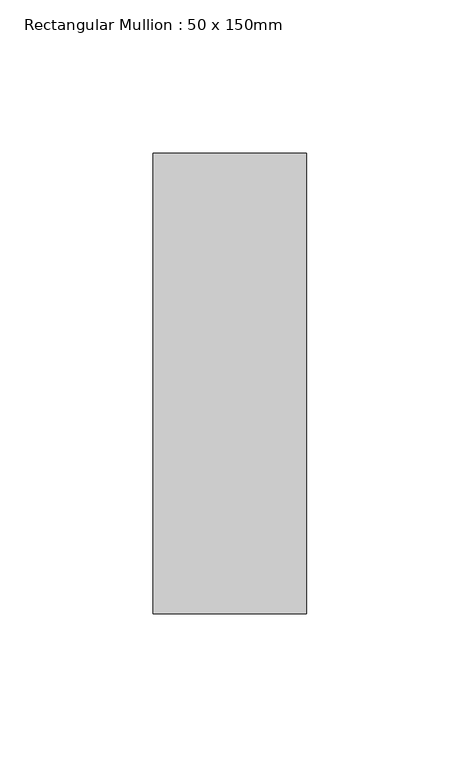
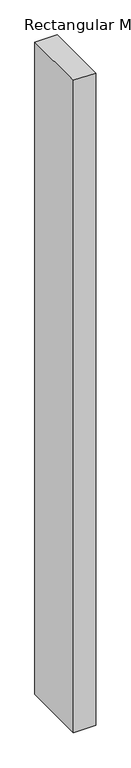
"""IFC4 building model written with IfcOpenShell, lengths in millimetres: member geometry, Rectangular Mullion : 50 x 150mm."""

from ifc_helpers import new_model, si_unit, frame, origin, place, context, project, spatial, polyline, outline, extrude, source, transform, mapped, element, save


def rectangular_mullion_50_x_150mm_02c44eea(model_context):
    return source(origin(), model_context, "Body", "SweptSolid", [
        extrude(outline(polyline([(0.0, 75.0), (0.0, -75.0), (-50.0, -75.0), (-50.0, 75.0), (0.0, 75.0)])), frame((0.0, 0.0, -1552.8425369), z_axis=(0.0, 0.0, 1.0), x_axis=(1.0, 0.0, 0.0)), (0.0, 0.0, 1.0), 1552.8425369),
    ])


if __name__ == "__main__":
    model = new_model("IFC4")
    model_context = context("Model", 3, world=origin())
    ifc_project = project(units=[si_unit("LENGTHUNIT", "METRE", prefix="MILLI")], contexts=[model_context])
    site = spatial("IfcSite", under=ifc_project)
    building = spatial("IfcBuilding", under=site)
    placement = place(None, origin())
    rectangular_mullion_50_x_150mm_shape = rectangular_mullion_50_x_150mm_02c44eea(model_context)
    element("IfcMember", 1, ObjectType="Rectangular Mullion : 50 x 150mm", at=placement, inside=building, context=model_context, shape_type="MappedRepresentation", body=[
        mapped(rectangular_mullion_50_x_150mm_shape, transform((0.0, 0.0, 0.0), x_axis=(1.0, 0.0, 0.0), y_axis=(0.0, 1.0, 0.0), z_axis=(0.0, 0.0, 1.0))),
    ])
    save(model, "model.ifc")
